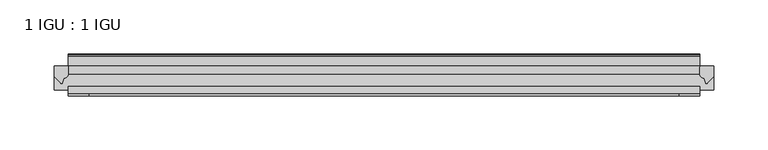
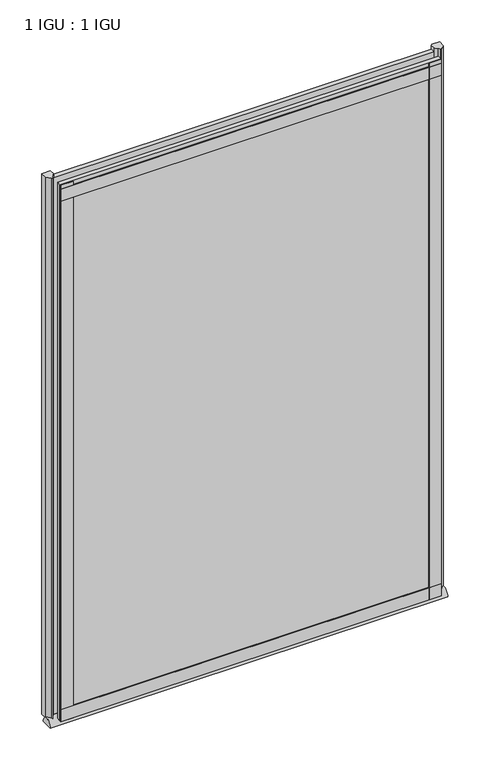
"""IFC4 building model written with IfcOpenShell, lengths in millimetres: plate geometry, 1 IGU : 1 IGU."""

import ifcopenshell
import ifcopenshell.guid

model = None  # the IFC model being written
_history = None  # IfcOwnerHistory: only IFC2X3 demands one
_inside = {}  # id of a spatial element -> (the spatial element, [elements in it])
_under = {}  # id of a project, library or spatial element -> (it, [spatial elements below it])
_declared = {}  # id of a project -> (the project, [libraries it declares])
_typed = {}  # id of a type object -> (the type object, [elements of that type])
_made_of = {}  # id of a material, layer set ... -> (it, [elements and type objects made of it])


def new_model(schema):
    """Start an empty IFC model of exactly this schema.

    Asked for "IFC4X3", IfcOpenShell would pick the latest addendum, in which some entities
    have other attributes; the version numbers below select the first issue.
    IFC2X3 requires an IfcOwnerHistory on every rooted entity: one is made here for all.
    """
    global model, _history
    if schema == "IFC4X3":
        model = ifcopenshell.file(schema_version=(4, 3, 0, 0))
    else:
        model = ifcopenshell.file(schema=schema)
    _inside.clear()
    _under.clear()
    _declared.clear()
    _typed.clear()
    _made_of.clear()
    _history = None
    if model.schema == "IFC2X3":
        org = make("IfcOrganization", Name="unknown")
        user = make(
            "IfcPersonAndOrganization",
            ThePerson=make("IfcPerson", FamilyName="unknown"),
            TheOrganization=org,
        )
        app = make(
            "IfcApplication",
            ApplicationDeveloper=org,
            Version="unknown",
            ApplicationFullName="unknown",
            ApplicationIdentifier="unknown",
        )
        _history = make(
            "IfcOwnerHistory",
            OwningUser=user,
            OwningApplication=app,
            ChangeAction="ADDED",
            CreationDate=0,
        )
    return model


def make(cls, **values):
    """One entity of the class cls with the attributes given. An attribute that is None is left unset."""
    return model.create_entity(
        cls, **{name: value for name, value in values.items() if value is not None}
    )


def rooted(cls, **values):
    """An entity with a GlobalId (a new one), such as an element, a storey or a relation."""
    return make(cls, GlobalId=ifcopenshell.guid.new(), OwnerHistory=_history, **values)


def si_unit(unit_type, name, prefix=None):
    """IfcSIUnit, for example si_unit("LENGTHUNIT", "METRE", prefix="MILLI")."""
    return make("IfcSIUnit", UnitType=unit_type, Prefix=prefix, Name=name)


def assignment(units):
    """IfcUnitAssignment: the units of a project."""
    return None if units is None else make("IfcUnitAssignment", Units=units)


def point(xyz):
    """IfcCartesianPoint."""
    return None if xyz is None else make("IfcCartesianPoint", Coordinates=xyz)


def direction(xyz):
    """IfcDirection."""
    return None if xyz is None else make("IfcDirection", DirectionRatios=xyz)


def frame(location, z_axis=None, x_axis=None):
    """IfcAxis2Placement3D, a coordinate frame: its origin and axes. An axis left out is left unset."""
    return make(
        "IfcAxis2Placement3D",
        Location=point(location),
        Axis=direction(z_axis),
        RefDirection=direction(x_axis),
    )


def frame_2d(location, x_axis=None):
    """IfcAxis2Placement2D, a coordinate frame in the plane: its origin and x axis."""
    return make(
        "IfcAxis2Placement2D", Location=point(location), RefDirection=direction(x_axis)
    )


def origin():
    """The frame at (0, 0, 0) with its axes left unset."""
    return frame((0.0, 0.0, 0.0))


def place(relative_to, where):
    """IfcLocalPlacement: puts the frame where relative to a parent placement (None: the world)."""
    return make(
        "IfcLocalPlacement", PlacementRelTo=relative_to, RelativePlacement=where
    )


def context(
    kind, dimensions, precision=None, world=None, true_north=None, identifier=None
):
    """IfcGeometricRepresentationContext, for example the 3D "Model" context."""
    return make(
        "IfcGeometricRepresentationContext",
        ContextIdentifier=identifier,
        ContextType=kind,
        CoordinateSpaceDimension=dimensions,
        Precision=precision,
        WorldCoordinateSystem=world,
        TrueNorth=true_north,
    )


def project(units=None, contexts=None):
    """IfcProject with its units and contexts."""
    return rooted(
        "IfcProject",
        Name="project",
        RepresentationContexts=contexts,
        UnitsInContext=assignment(units),
    )


def spatial(cls, under=None, at=None, **own):
    """A site, building, storey or space (cls), placed at a placement, below another one or the project."""
    s = rooted(cls, ObjectPlacement=at, **own)
    if under is not None:
        _under.setdefault(under.id(), (under, []))[1].append(s)
    return s


def polyline(points):
    """IfcPolyline through the points."""
    return make("IfcPolyline", Points=[point(p) for p in points])


def circle_curve(where, radius):
    """IfcCircle in the frame where."""
    return make("IfcCircle", Position=where, Radius=radius)


def ellipse_curve(where, semi_axis1, semi_axis2):
    """IfcEllipse in the frame where."""
    return make(
        "IfcEllipse", Position=where, SemiAxis1=semi_axis1, SemiAxis2=semi_axis2
    )


def trimmed(basis, trim1, trim2, sense, master):
    """IfcTrimmedCurve: the piece of a basis curve between two trims."""
    return make(
        "IfcTrimmedCurve",
        BasisCurve=basis,
        Trim1=trim1,
        Trim2=trim2,
        SenseAgreement=sense,
        MasterRepresentation=master,
    )


def segment(curve, same_sense, transition):
    """IfcCompositeCurveSegment."""
    return make(
        "IfcCompositeCurveSegment",
        Transition=transition,
        SameSense=same_sense,
        ParentCurve=curve,
    )


def composite_curve(segments, self_intersect=None):
    """IfcCompositeCurve: segments joined end to end."""
    return make("IfcCompositeCurve", Segments=segments, SelfIntersect=self_intersect)


def outline(outer, holes=None, kind="AREA"):
    """IfcArbitraryClosedProfileDef: a profile drawn as a closed curve; with holes, ...WithVoids."""
    if holes is None:
        return make("IfcArbitraryClosedProfileDef", ProfileType=kind, OuterCurve=outer)
    return make(
        "IfcArbitraryProfileDefWithVoids",
        ProfileType=kind,
        OuterCurve=outer,
        InnerCurves=holes,
    )


def extrude(swept, where, along, depth):
    """IfcExtrudedAreaSolid: the profile swept, set in the frame where, extruded along a direction by depth."""
    return make(
        "IfcExtrudedAreaSolid",
        SweptArea=swept,
        Position=where,
        ExtrudedDirection=direction(along),
        Depth=depth,
    )


def shape(context_of_items, identifier, shape_type, items):
    """IfcShapeRepresentation: the items that make up one representation, for example the "Body"."""
    return make(
        "IfcShapeRepresentation",
        ContextOfItems=context_of_items,
        RepresentationIdentifier=identifier,
        RepresentationType=shape_type,
        Items=items,
    )


def source(mapping_origin, context_of_items, identifier, shape_type, items):
    """IfcRepresentationMap: a shape defined once, which mapped items show again and again."""
    return make(
        "IfcRepresentationMap",
        MappingOrigin=mapping_origin,
        MappedRepresentation=shape(context_of_items, identifier, shape_type, items),
    )


def transform(
    local_origin,
    x_axis=None,
    y_axis=None,
    z_axis=None,
    scale=None,
    scale2=None,
    scale3=None,
    uniform=True,
):
    """IfcCartesianTransformationOperator3D, or its non-uniform kind. x_axis, y_axis, z_axis: its Axis1, 2, 3."""
    if uniform:
        return make(
            "IfcCartesianTransformationOperator3D",
            Axis1=direction(x_axis),
            Axis2=direction(y_axis),
            LocalOrigin=point(local_origin),
            Scale=scale,
            Axis3=direction(z_axis),
        )
    return make(
        "IfcCartesianTransformationOperator3DnonUniform",
        Axis1=direction(x_axis),
        Axis2=direction(y_axis),
        LocalOrigin=point(local_origin),
        Scale=scale,
        Axis3=direction(z_axis),
        Scale2=scale2,
        Scale3=scale3,
    )


def mapped(mapping_source, mapping_target):
    """IfcMappedItem: shows the shape of a source again, moved by a transform."""
    return make(
        "IfcMappedItem", MappingSource=mapping_source, MappingTarget=mapping_target
    )


def made_of(thing, what):
    """Note that an element or type object is made of a material, layer set ...; save() writes the relation."""
    if what is not None:
        _made_of.setdefault(what.id(), (what, []))[1].append(thing)
    return thing


def element(
    cls,
    number,
    at=None,
    inside=None,
    cuts=None,
    type_object=None,
    material=None,
    context=None,
    identifier="Body",
    shape_type=None,
    held_by="IfcProductDefinitionShape",
    body=None,
    shapes=None,
    **own,
):
    """One element of the class cls, such as IfcWall. Its Tag is "e" and its number.

    at: its placement. inside: the storey or other place that contains it. cuts: it is an
    opening in that element (IfcRelVoidsElement). A single representation is given by context,
    identifier, shape_type and body (its items); several are given by shapes. held_by: the class
    of the entity that holds the representations. save() writes the other relations.
    """
    e = rooted(cls, Tag="e%d" % number, ObjectPlacement=at, **own)
    if body is not None:
        shapes = [shape(context, identifier, shape_type, body)]
    if shapes is not None:
        e.Representation = make(held_by, Representations=shapes)
    if inside is not None:
        _inside.setdefault(inside.id(), (inside, []))[1].append(e)
    if cuts is not None:
        rooted(
            "IfcRelVoidsElement", RelatingBuildingElement=cuts, RelatedOpeningElement=e
        )
    if type_object is not None:
        _typed.setdefault(type_object.id(), (type_object, []))[1].append(e)
    return made_of(e, material)


def aggregate(whole, parts):
    """IfcRelAggregates: a whole, such as a stair, and the parts it consists of."""
    return rooted("IfcRelAggregates", RelatingObject=whole, RelatedObjects=parts)


def save(model, path):
    """Write the relations noted so far, then the file.

    IfcRelAggregates (storeys below a building ...), IfcRelContainedInSpatialStructure (elements
    in a storey), IfcRelDefinesByType, IfcRelAssociatesMaterial and IfcRelDeclares: one each for
    every whole, place, type object, material and project.
    """
    for whole, parts in _under.values():
        aggregate(whole, parts)
    for where, things in _inside.values():
        rooted(
            "IfcRelContainedInSpatialStructure",
            RelatedElements=things,
            RelatingStructure=where,
        )
    for kind, things in _typed.values():
        rooted("IfcRelDefinesByType", RelatedObjects=things, RelatingType=kind)
    for what, things in _made_of.values():
        rooted("IfcRelAssociatesMaterial", RelatedObjects=things, RelatingMaterial=what)
    for by, libraries in _declared.values():
        rooted("IfcRelDeclares", RelatingContext=by, RelatedDefinitions=libraries)
    model.write(path)


def plane_surface(at):
    """IfcPlane: the flat surface through the origin of the frame at, square to its z axis."""
    return make("IfcPlane", Position=at)


def extruded_surface(curve, direction_of_extrusion, depth):
    """IfcSurfaceOfLinearExtrusion: the curve pushed along a direction by depth."""
    return make(
        "IfcSurfaceOfLinearExtrusion",
        SweptCurve=make("IfcArbitraryOpenProfileDef", ProfileType="CURVE", Curve=curve),
        ExtrudedDirection=direction(direction_of_extrusion),
        Depth=depth,
    )


def advanced_brep(points, edges, surfaces, faces):
    """IfcAdvancedBrep: a solid bounded by faces that lie on surfaces and meet in shared edges.

    An edge is (start, end): straight between two places in points (the first is 0);
    or (start, end, curve); or (start, end, curve, False) where it runs against its curve.
    A face is (place in surfaces, loops), or (place, loops, False) where it looks against
    its surface's normal. A loop lists edges by number (the first is 1), with a minus sign
    where the edge is run from its end to its start. The first loop is the outer one.
    """
    corners = [point(p) for p in points]
    vertices = [make("IfcVertexPoint", VertexGeometry=c) for c in corners]
    made = []
    for start, end, *more in edges:
        made.append(
            make(
                "IfcEdgeCurve",
                EdgeStart=vertices[start],
                EdgeEnd=vertices[end],
                EdgeGeometry=more[0] if more else make("IfcPolyline", Points=[corners[start], corners[end]]),
                SameSense=more[1] if len(more) > 1 else True,
            )
        )
    hull = []
    for where, loops, *sense in faces:
        bounds = []
        for j, loop in enumerate(loops):
            ring = [make("IfcOrientedEdge", EdgeElement=made[abs(k) - 1], Orientation=k > 0) for k in loop]
            bounds.append(
                make(
                    "IfcFaceOuterBound" if j == 0 else "IfcFaceBound",
                    Bound=make("IfcEdgeLoop", EdgeList=ring),
                    Orientation=True,
                )
            )
        hull.append(make("IfcAdvancedFace", Bounds=bounds, FaceSurface=surfaces[where], SameSense=sense[0] if sense else True))
    return make("IfcAdvancedBrep", Outer=make("IfcClosedShell", CfsFaces=hull))


def plate_1_igu_1_igu_10ca2f64(model_context):
    return source(origin(), model_context, "Body", "SolidModel", [
        extrude(outline(polyline([(292.1, -11.6085937), (292.1, -18.8576359), (-292.1, -18.8576359), (-292.1, -11.6085937), (292.1, -11.6085937)])), frame((0.0, 0.0, -19.05), z_axis=(0.0, 0.0, 1.0), x_axis=(1.0, 0.0, 0.0)), (0.0, 0.0, 1.0), 869.9499998),
        extrude(outline(polyline([(-292.1, -30.7093937), (292.1, -30.7093937), (292.1, -37.0085937), (-292.1, -37.0085937), (-292.1, -30.7093937)])), frame((0.0, 0.0, -19.05), z_axis=(0.0, 0.0, 1.0), x_axis=(1.0, 0.0, 0.0)), (0.0, 0.0, 1.0), 869.9499998),
        advanced_brep(
        [(304.8, -33.6472189, -28.575), (304.8, -14.9699686, -28.575), (-304.8, -33.6472189, -28.575), (-304.8, -14.9699686, -28.575)],
        [
            (0, 1),
            (1, 0, ellipse_curve(frame((304.8, -24.3085937, -28.575), z_axis=(1.0, 0.0, 0.0), x_axis=(0.0, 0.0, 1.0)), 10.6973372, 9.3386252)),
            (2, 3, ellipse_curve(frame((-304.8, -24.3085937, -28.575), z_axis=(-1.0, 0.0, 0.0), x_axis=(0.0, 0.0, 1.0)), 10.6973372, 9.3386252)),
            (3, 2),
            (0, 2),
            (3, 1),
        ],
        [
            plane_surface(frame((304.8, -9.2273438, -28.575), z_axis=(1.0, 0.0, 0.0), x_axis=(0.0, 1.0, 0.0))),
            plane_surface(frame((-304.8, -9.2273437, -28.575), z_axis=(-1.0, 0.0, 0.0), x_axis=(0.0, 1.0, 0.0))),
            plane_surface(frame((304.8, -33.6472189, -28.575), z_axis=(0.0, 0.0, -1.0), x_axis=(-1.0, 0.0, 0.0))),
            extruded_surface(trimmed(ellipse_curve(frame((-304.8, -24.3085937, -28.575), z_axis=(1.0, 0.0, 0.0), x_axis=(0.0, 0.0, 1.0)), 10.6973372, 9.3386252), [point((-304.8, -14.9699686, -28.575))], [point((-304.8, -33.6472189, -28.575))], True, "CARTESIAN"), (609.6, 0.0, 0.0), 609.6),
        ],
        [
            (0, [[1, 2]]),
            (1, [[3, 4]]),
            (2, [[-1, 5, -4, 6]]),
            (3, [[-2, -6, -3, -5]]),
        ],
    ),
        extrude(outline(composite_curve([segment(polyline([(305.1779091, -11.6101465), (304.8, -21.3502133), (298.8619467, -27.6095865)]), True, "CONTINUOUS"), segment(trimmed(circle_curve(frame_2d((298.1891407, -27.2518492)), 0.762), [point((298.8619467, -27.6095865))], [point((297.4604364, -27.4746364))], False, "CARTESIAN"), True, "CONTINUOUS"), segment(polyline([(297.4604364, -27.4746364), (296.1986019, -23.3488397)]), True, "CONTINUOUS"), segment(trimmed(circle_curve(frame_2d((298.380559, -16.3834724)), 7.2991286), [point((296.1986019, -23.3488397))], [point((292.1001786, -20.1028944))], False, "CARTESIAN"), True, "CONTINUOUS"), segment(polyline([(292.1001786, -20.1028944), (292.1001786, -12.664425)]), True, "CONTINUOUS"), segment(trimmed(circle_curve(frame_2d((298.3814331, -16.3827796)), 7.2993369), [point((292.1001786, -12.664425))], [point((292.858545, -11.6101465))], False, "CARTESIAN"), True, "CONTINUOUS"), segment(polyline([(292.858545, -11.6101465), (305.1779091, -11.6101465)]), True, "CONTINUOUS")], self_intersect=False)), frame((0.0, 0.0, -19.05), z_axis=(0.0, 0.0, 1.0), x_axis=(1.0, 0.0, 0.0)), (0.0, 0.0, 1.0), 877.0873998),
        extrude(outline(composite_curve([segment(polyline([(-292.1, -11.610702), (-292.1, -20.1014769)]), True, "CONTINUOUS"), segment(trimmed(circle_curve(frame_2d((-298.3811943, -16.3829847)), 7.2993552), [point((-292.1, -20.1014769))], [point((-296.1989498, -23.3484994))], False, "CARTESIAN"), True, "CONTINUOUS"), segment(polyline([(-296.1989498, -23.3484994), (-297.4604364, -27.4746364)]), True, "CONTINUOUS"), segment(trimmed(circle_curve(frame_2d((-298.1891407, -27.2518492)), 0.762), [point((-297.4604364, -27.4746364))], [point((-298.8619467, -27.6095865))], False, "CARTESIAN"), True, "CONTINUOUS"), segment(polyline([(-298.8619467, -27.6095865), (-304.8, -21.3502133), (-305.1779091, -11.610702), (-292.1, -11.610702)]), True, "CONTINUOUS")], self_intersect=False)), frame((0.0, 0.0, -19.05), z_axis=(0.0, 0.0, 1.0), x_axis=(1.0, 0.0, 0.0)), (0.0, 0.0, 1.0), 877.0873998),
        extrude(outline(polyline([(-292.1, -39.2945937), (-292.1, -37.0085937), (292.1, -37.0085937), (292.1, -39.2945937), (-292.1, -39.2945937)])), frame((0.0, 0.0, -19.05), z_axis=(0.0, 0.0, 1.0), x_axis=(1.0, 0.0, 0.0)), (0.0, 0.0, 1.0), 19.05),
        extrude(outline(composite_curve([segment(polyline([(-3.0995937, 840.8194211), (-3.0995937, 838.7874211), (-5.2585937, 838.7874211), (-5.2585937, 833.4534211), (-1.5755937, 833.4534211), (-1.5755937, 830.4054211), (-5.2585937, 830.4054211), (-5.2585937, 825.5794211), (-0.5298657, 826.2440005), (-0.4061408, 825.3636522)]), True, "CONTINUOUS"), segment(trimmed(circle_curve(frame_2d((-1.4122531, 825.2222523)), 1.016), [point((-0.4061408, 825.3636522))], [point((-1.2708533, 824.21614))], False, "CARTESIAN"), True, "CONTINUOUS"), segment(polyline([(-1.2708533, 824.21614), (-11.6085937, 822.7632653), (-11.6085937, 840.8194211), (-3.0995937, 840.8194211)]), True, "CONTINUOUS")], self_intersect=False)), frame((-292.1, 0.0, 0.0), z_axis=(1.0, 0.0, 0.0), x_axis=(0.0, 1.0, 0.0)), (0.0, 0.0, 1.0), 584.2),
        extrude(outline(polyline([(-292.1, -39.2945937), (-292.1, -37.0085937), (292.1, -37.0085937), (292.1, -39.2945937), (-292.1, -39.2945937)])), frame((0.0, 0.0, 825.4999998), z_axis=(0.0, 0.0, 1.0), x_axis=(1.0, 0.0, 0.0)), (0.0, 0.0, 1.0), 19.05),
        extrude(outline(polyline([(273.05, -37.0085937), (292.1, -37.0085937), (292.1, -39.2945938), (273.05, -39.2945938), (273.05, -37.0085937)])), frame((0.0, 0.0, -19.05), z_axis=(0.0, 0.0, 1.0), x_axis=(1.0, 0.0, 0.0)), (0.0, 0.0, 1.0), 869.9499998),
        extrude(outline(polyline([(-292.1, -39.2945937), (-292.1, -37.0085937), (-273.05, -37.0085937), (-273.05, -39.2945937), (-292.1, -39.2945937)])), frame((0.0, 0.0, -19.05), z_axis=(0.0, 0.0, 1.0), x_axis=(1.0, 0.0, 0.0)), (0.0, 0.0, 1.0), 869.9499998),
    ])


if __name__ == "__main__":
    model = new_model("IFC4")
    model_context = context("Model", 3, world=origin())
    ifc_project = project(units=[si_unit("LENGTHUNIT", "METRE", prefix="MILLI")], contexts=[model_context])
    site = spatial("IfcSite", under=ifc_project)
    building = spatial("IfcBuilding", under=site)
    placement = place(None, origin())
    plate_1_igu_1_igu_shape = plate_1_igu_1_igu_10ca2f64(model_context)
    element("IfcPlate", 1, ObjectType="1 IGU : 1 IGU", at=placement, inside=building, context=model_context, shape_type="MappedRepresentation", body=[
        mapped(plate_1_igu_1_igu_shape, transform((0.0, 0.0, 0.0), x_axis=(1.0, 0.0, 0.0), y_axis=(0.0, 1.0, 0.0), z_axis=(0.0, 0.0, 1.0))),
    ])
    save(model, "model.ifc")
